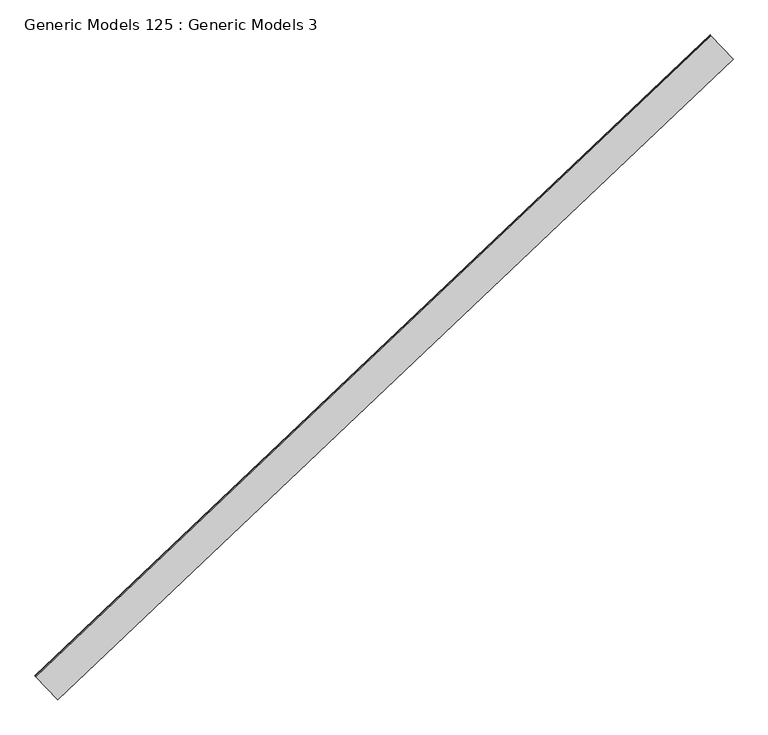
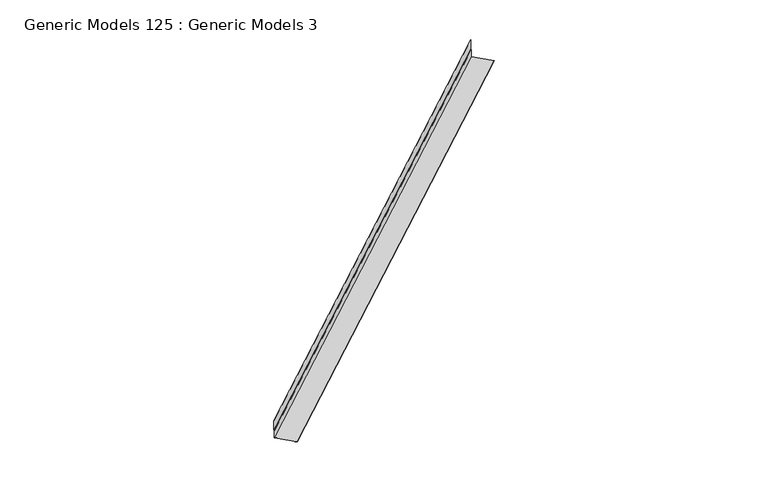
"""IFC4 building model written with IfcOpenShell, lengths in millimetres: proxy geometry, Generic Models 125 : Generic Models 3."""

from ifc_helpers import new_model, si_unit, frame, origin, place, context, project, spatial, polyline, outline, extrude, source, transform, mapped, element, save


def generic_models_125_generic_models_3_7ec95f15(model_context):
    return source(origin(), model_context, "Body", "SweptSolid", [
        extrude(outline(polyline([(2.3812501, 0.0), (2.3812501, -74.0401983), (-2.0137299, -78.4351783), (-2.0137299, -136.4664229), (-160.4502955, -136.4664229), (-160.4502955, -134.8789229), (-3.6012299, -134.8789229), (-3.6012299, -77.7776142), (0.79375, -73.3826343), (0.79375, 0.0), (2.3812501, 0.0)])), frame((108258.9361911, 48346.4014706, 18155.3038881), z_axis=(0.7253743710122987, 0.6883545756937425, 0.0), x_axis=(-0.6883545756937425, 0.7253743710122987, 0.0)), (0.0, 0.0, 1.0), 4530.725),
    ])


if __name__ == "__main__":
    model = new_model("IFC4")
    model_context = context("Model", 3, world=origin())
    ifc_project = project(units=[si_unit("LENGTHUNIT", "METRE", prefix="MILLI")], contexts=[model_context])
    site = spatial("IfcSite", under=ifc_project)
    building = spatial("IfcBuilding", under=site)
    placement = place(None, origin())
    generic_models_125_generic_models_3_shape = generic_models_125_generic_models_3_7ec95f15(model_context)
    element("IfcBuildingElementProxy", 1, Name="Generic Models 125 : Generic Models 3", ObjectType="Generic Models 125 : Generic Models 3", at=placement, inside=building, context=model_context, shape_type="MappedRepresentation", body=[
        mapped(generic_models_125_generic_models_3_shape, transform((0.0, 0.0, 0.0), x_axis=(1.0, 0.0, 0.0), y_axis=(0.0, 1.0, 0.0), z_axis=(0.0, 0.0, 1.0))),
    ])
    save(model, "model.ifc")
